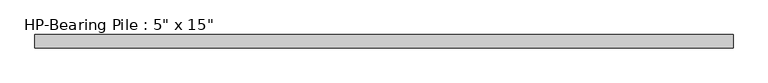
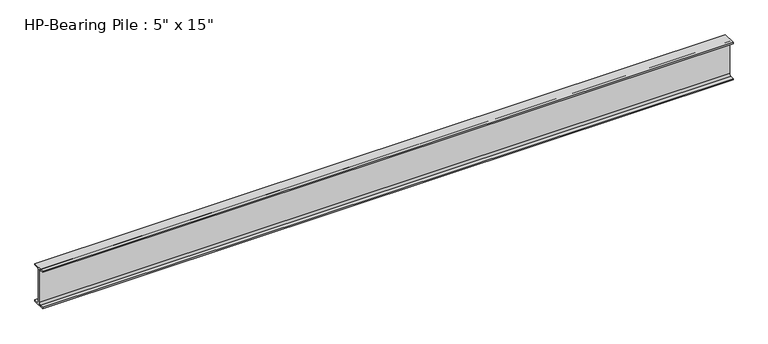
"""IFC4 building model written with IfcOpenShell, lengths in millimetres: beam geometry."""

from ifc_helpers import new_model, si_unit, point, frame, frame_2d, origin, place, context, project, spatial, polyline, circle_curve, trimmed, segment, composite_curve, outline, extrude, source, transform, mapped, element, save


def beam_f73f2ff3(model_context):
    return source(origin(), model_context, "Body", "SweptSolid", [
        extrude(outline(composite_curve([segment(polyline([(63.5, -177.8), (63.5, -190.5), (-63.5, -190.5), (-63.5, -177.8), (-25.4, -177.8)]), True, "CONTINUOUS"), segment(trimmed(circle_curve(frame_2d((-25.4, -158.75)), 19.05), [point((-25.4, -177.8))], [point((-6.35, -158.75))], True, "CARTESIAN"), True, "CONTINUOUS"), segment(polyline([(-6.35, -158.75), (-6.35, 158.75)]), True, "CONTINUOUS"), segment(trimmed(circle_curve(frame_2d((-25.4, 158.75)), 19.05), [point((-6.35, 158.75))], [point((-25.4, 177.8))], True, "CARTESIAN"), True, "CONTINUOUS"), segment(polyline([(-25.4, 177.8), (-63.5, 177.8), (-63.5, 190.5), (63.5, 190.5), (63.5, 177.8), (25.4, 177.8)]), True, "CONTINUOUS"), segment(trimmed(circle_curve(frame_2d((25.4, 158.75)), 19.05), [point((25.4, 177.8))], [point((6.35, 158.75))], True, "CARTESIAN"), True, "CONTINUOUS"), segment(polyline([(6.35, 158.75), (6.35, -158.75)]), True, "CONTINUOUS"), segment(trimmed(circle_curve(frame_2d((25.4, -158.75)), 19.05), [point((6.35, -158.75))], [point((25.4, -177.8))], True, "CARTESIAN"), True, "CONTINUOUS"), segment(polyline([(25.4, -177.8), (63.5, -177.8)]), True, "CONTINUOUS")], self_intersect=False)), frame((-3320.0938134, 0.0, 0.0), z_axis=(1.0, 0.0, 0.0), x_axis=(0.0, 1.0, 0.0)), (0.0, 0.0, 1.0), 6640.1876268),
    ])


if __name__ == "__main__":
    model = new_model("IFC4")
    model_context = context("Model", 3, world=origin())
    ifc_project = project(units=[si_unit("LENGTHUNIT", "METRE", prefix="MILLI")], contexts=[model_context])
    site = spatial("IfcSite", under=ifc_project)
    building = spatial("IfcBuilding", under=site)
    placement = place(None, origin())
    beam_shape = beam_f73f2ff3(model_context)
    element("IfcBeam", 1, ObjectType="HP-Bearing Pile : 5\" x 15\"", at=placement, inside=building, context=model_context, shape_type="MappedRepresentation", body=[
        mapped(beam_shape, transform((0.0, 0.0, 0.0), x_axis=(1.0, 0.0, 0.0), y_axis=(0.0, 1.0, 0.0), z_axis=(0.0, 0.0, 1.0))),
    ])
    save(model, "model.ifc")
